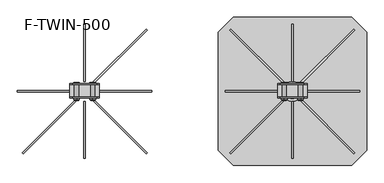
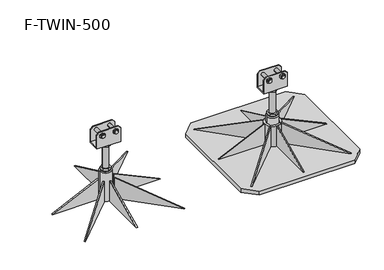
"""IFC4 building model written with IfcOpenShell, lengths in millimetres: beam geometry, F-TWIN-500."""

from ifc_helpers import new_model, si_unit, point, frame, frame_2d, origin, origin_with_axes, place, context, project, spatial, polyline, circle_curve, trimmed, segment, composite_curve, outline, extrude, source, transform, mapped, element, save
from ifc_brep_helpers import plane_surface, cylinder_surface, revolved_surface, advanced_brep


def f_twin_500_925610f8(model_context):
    return source(origin(), model_context, "Body", "SolidModel", [
        advanced_brep(
        [(750.0, 22.7708218, 319.0), (740.0, 22.7708218, 329.0), (660.0, 22.7708218, 329.0), (650.0, 22.7708218, 319.0), (650.0, 22.7708218, 265.0), (750.0, 22.7708218, 265.0), (720.5, 22.7708218, 312.0), (734.5, 22.7708218, 312.0), (665.5, 22.7708218, 312.0), (679.5, 22.7708218, 312.0), (750.0, 25.7708218, 319.0), (740.0, 25.7708218, 329.0), (660.0, 25.7708218, 329.0), (650.0, 25.7708218, 319.0), (650.0, -18.7291782, 319.0), (660.0, -18.7291782, 329.0), (740.0, -18.7291782, 329.0), (750.0, -18.7291782, 319.0), (750.0, -18.7291782, 265.0), (650.0, -18.7291782, 265.0), (734.5, -18.7291782, 312.0), (720.5, -18.7291782, 312.0), (679.5, -18.7291782, 312.0), (665.5, -18.7291782, 312.0), (740.0, -21.7291782, 329.0), (750.0, -21.7291782, 319.0), (660.0, -21.7291782, 329.0), (650.0, -21.7291782, 319.0), (750.0, 25.7708218, 258.0), (750.0, -21.7291782, 258.0), (650.0, -21.7291782, 258.0), (650.0, 25.7708218, 258.0), (727.5, 30.6740688, 323.062665), (737.0805489, 30.6740688, 317.5313325), (737.0805489, 30.6740688, 306.4686675), (727.5, 30.6740688, 300.937335), (717.9194511, 30.6740688, 306.4686675), (717.9194511, 30.6740688, 317.5313325), (672.5, 30.6740688, 323.062665), (682.0805489, 30.6740688, 317.5313325), (682.0805489, 30.6740688, 306.4686675), (672.5, 30.6740688, 300.937335), (662.9194511, 30.6740688, 306.4686675), (662.9194511, 30.6740688, 317.5313325), (727.5, 25.6740688, 323.062665), (737.0805489, 25.7708218, 317.5313325), (737.0805489, 25.7708218, 306.4686675), (727.5, 25.7708218, 300.937335), (717.9194511, 25.7708218, 306.4686675), (717.9194511, 25.7708218, 317.5313325), (672.5, 25.6740688, 323.062665), (682.0805489, 25.7708218, 317.5313325), (682.0805489, 25.7708218, 306.4686675), (672.5, 25.7708218, 300.937335), (662.9194511, 25.7708218, 306.4686675), (662.9194511, 25.7708218, 317.5313325), (717.9194511, -26.7291782, 317.5313325), (717.9194511, -26.7291782, 306.4686675), (727.5, -26.7291782, 300.937335), (737.0805489, -26.7291782, 306.4686675), (737.0805489, -26.7291782, 317.5313325), (727.5, -26.7291782, 323.062665), (720.5, -26.7291782, 312.0), (734.5, -26.7291782, 312.0), (717.9194511, -21.7291782, 317.5313325), (717.9194511, -21.7291782, 306.4686675), (727.5, -21.7291782, 300.937335), (737.0805489, -21.7291782, 306.4686675), (737.0805489, -21.7291782, 317.5313325), (727.5, -21.7291782, 323.062665), (662.9194511, -26.7291782, 317.5313325), (662.9194511, -26.7291782, 306.4686675), (672.5, -26.7291782, 300.937335), (682.0805489, -26.7291782, 306.4686675), (682.0805489, -26.7291782, 317.5313325), (672.5, -26.7291782, 323.062665), (665.5, -26.7291782, 312.0), (679.5, -26.7291782, 312.0), (662.9194511, -21.7291782, 317.5313325), (662.9194511, -21.7291782, 306.4686675), (672.5, -21.7291782, 300.937335), (682.0805489, -21.7291782, 306.4686675), (682.0805489, -21.7291782, 317.5313325), (672.5, -21.7291782, 323.062665), (720.5, -30.6740688, 312.0), (734.5, -30.6740688, 312.0), (665.5, -30.6740688, 312.0), (679.5, -30.6740688, 312.0)],
        [
            (0, 1),
            (1, 2),
            (2, 3),
            (3, 4),
            (4, 5),
            (5, 0),
            (6, 7, circle_curve(frame((727.5, 22.7708218, 312.0), z_axis=(0.0, 1.0, 0.0), x_axis=(-1.0, 0.0, 0.0)), 7.0)),
            (7, 6, circle_curve(frame((727.5, 22.7708218, 312.0), z_axis=(0.0, 1.0, 0.0), x_axis=(-1.0, 0.0, 0.0)), 7.0)),
            (8, 9, circle_curve(frame((672.5, 22.7708218, 312.0), z_axis=(0.0, 1.0, 0.0), x_axis=(-1.0, 0.0, 0.0)), 7.0)),
            (9, 8, circle_curve(frame((672.5, 22.7708218, 312.0), z_axis=(0.0, 1.0, 0.0), x_axis=(-1.0, 0.0, 0.0)), 7.0)),
            (10, 11),
            (11, 1),
            (0, 10),
            (11, 12),
            (12, 2),
            (12, 13),
            (13, 3),
            (14, 15),
            (15, 16),
            (16, 17),
            (17, 18),
            (18, 19),
            (19, 14),
            (20, 21, circle_curve(frame((727.5, -18.7291782, 312.0), z_axis=(0.0, -1.0, 0.0), x_axis=(-1.0, 0.0, 0.0)), 7.0)),
            (21, 20, circle_curve(frame((727.5, -18.7291782, 312.0), z_axis=(0.0, -1.0, 0.0), x_axis=(-1.0, 0.0, 0.0)), 7.0)),
            (22, 23, circle_curve(frame((672.5, -18.7291782, 312.0), z_axis=(0.0, -1.0, 0.0), x_axis=(-1.0, 0.0, 0.0)), 7.0)),
            (23, 22, circle_curve(frame((672.5, -18.7291782, 312.0), z_axis=(0.0, -1.0, 0.0), x_axis=(-1.0, 0.0, 0.0)), 7.0)),
            (16, 24),
            (24, 25),
            (25, 17),
            (15, 26),
            (26, 24),
            (14, 27),
            (27, 26),
            (18, 5),
            (4, 19),
            (28, 29),
            (29, 30),
            (30, 31),
            (31, 28),
            (32, 33),
            (33, 34),
            (34, 35),
            (35, 36),
            (36, 37),
            (37, 32),
            (38, 39),
            (39, 40),
            (40, 41),
            (41, 42),
            (42, 43),
            (43, 38),
            (32, 44),
            (44, 45),
            (45, 33),
            (45, 46),
            (46, 34),
            (46, 47),
            (47, 35),
            (47, 48),
            (48, 36),
            (48, 49),
            (49, 37),
            (49, 44),
            (38, 50),
            (50, 51),
            (51, 39),
            (51, 52),
            (52, 40),
            (52, 53),
            (53, 41),
            (53, 54),
            (54, 42),
            (54, 55),
            (55, 43),
            (55, 50),
            (56, 57),
            (57, 58),
            (58, 59),
            (59, 60),
            (60, 61),
            (61, 56),
            (62, 63, circle_curve(frame((727.5, -26.7291782, 312.0), z_axis=(0.0, 1.0, 0.0), x_axis=(-1.0, 0.0, 0.0)), 7.0)),
            (63, 62, circle_curve(frame((727.5, -26.7291782, 312.0), z_axis=(0.0, 1.0, 0.0), x_axis=(-1.0, 0.0, 0.0)), 7.0)),
            (56, 64),
            (64, 65),
            (65, 57),
            (65, 66),
            (66, 58),
            (66, 67),
            (67, 59),
            (67, 68),
            (68, 60),
            (68, 69),
            (69, 61),
            (69, 64),
            (70, 71),
            (71, 72),
            (72, 73),
            (73, 74),
            (74, 75),
            (75, 70),
            (76, 77, circle_curve(frame((672.5, -26.7291782, 312.0), z_axis=(0.0, 1.0, 0.0), x_axis=(-1.0, 0.0, 0.0)), 7.0)),
            (77, 76, circle_curve(frame((672.5, -26.7291782, 312.0), z_axis=(0.0, 1.0, 0.0), x_axis=(-1.0, 0.0, 0.0)), 7.0)),
            (70, 78),
            (78, 79),
            (79, 71),
            (79, 80),
            (80, 72),
            (80, 81),
            (81, 73),
            (81, 82),
            (82, 74),
            (82, 83),
            (83, 75),
            (83, 78),
            (31, 13),
            (10, 28),
            (30, 27),
            (29, 25),
            (84, 85, circle_curve(frame((727.5, -30.6740688, 312.0), z_axis=(0.0, -1.0, 0.0), x_axis=(-1.0, 0.0, 0.0)), 7.0)),
            (85, 84, circle_curve(frame((727.5, -30.6740688, 312.0), z_axis=(0.0, -1.0, 0.0), x_axis=(-1.0, 0.0, 0.0)), 7.0)),
            (86, 87, circle_curve(frame((672.5, -30.6740688, 312.0), z_axis=(0.0, -1.0, 0.0), x_axis=(-1.0, 0.0, 0.0)), 7.0)),
            (87, 86, circle_curve(frame((672.5, -30.6740688, 312.0), z_axis=(0.0, -1.0, 0.0), x_axis=(-1.0, 0.0, 0.0)), 7.0)),
            (85, 63),
            (62, 84),
            (20, 7),
            (6, 21),
            (87, 77),
            (76, 86),
            (22, 9),
            (8, 23),
        ],
        [
            plane_surface(frame((740.0, 22.7708218, 329.0), z_axis=(0.0, -1.0, 0.0), x_axis=(-0.7071067811865458, 0.0, 0.7071067811865493))),
            plane_surface(frame((750.0, 22.7708218, 319.0), z_axis=(0.7071067811865493, 0.0, 0.7071067811865458), x_axis=(0.0, 1.0, 0.0))),
            plane_surface(frame((740.0, 22.7708218, 329.0), z_axis=(0.0, 0.0, 1.0), x_axis=(0.0, 1.0, 0.0))),
            plane_surface(frame((660.0, 22.7708218, 329.0), z_axis=(-0.7071067811865467, 0.0, 0.7071067811865485), x_axis=(0.0, 1.0, 0.0))),
            plane_surface(frame((650.0, -18.7291782, 319.0), z_axis=(0.0, 1.0, 0.0), x_axis=(0.0, 0.0, 1.0))),
            plane_surface(frame((750.0, -21.7291782, 319.0), z_axis=(0.7071067811865493, 0.0, 0.7071067811865457), x_axis=(0.0, 1.0, 0.0))),
            plane_surface(frame((740.0, -21.7291782, 329.0), z_axis=(0.0, 0.0, 1.0), x_axis=(0.0, 1.0, 0.0))),
            plane_surface(frame((660.0, -21.7291782, 329.0), z_axis=(-0.707106781186547, 0.0, 0.7071067811865481), x_axis=(0.0, 1.0, 0.0))),
            plane_surface(frame((700.0, 25.7708218, 265.0), z_axis=(0.0, 0.0, 1.0), x_axis=(-1.0, 0.0, 0.0))),
            plane_surface(frame((700.0, 25.7708218, 258.0), z_axis=(0.0, 0.0, -1.0), x_axis=(1.0, 0.0, 0.0))),
            plane_surface(frame((727.5, 30.6740688, 323.062665), z_axis=(0.0, 1.0, 0.0), x_axis=(0.866025403784437, 0.0, -0.5000000000000028))),
            plane_surface(frame((727.5, 30.6740688, 323.062665), z_axis=(0.5000000000000028, 0.0, 0.866025403784437), x_axis=(0.0, -1.0, 0.0))),
            plane_surface(frame((737.0805489, 30.6740688, 317.5313325), z_axis=(1.0, 0.0, 0.0), x_axis=(0.0, -1.0, 0.0))),
            plane_surface(frame((737.0805489, 30.6740688, 306.4686675), z_axis=(0.4999999999999971, 0.0, -0.8660254037844404), x_axis=(0.0, -1.0, 0.0))),
            plane_surface(frame((727.5, 30.6740688, 300.937335), z_axis=(-0.5000000000000031, 0.0, -0.8660254037844369), x_axis=(0.0, -1.0, 0.0))),
            plane_surface(frame((717.9194511, 30.6740688, 306.4686675), z_axis=(-1.0, 0.0, 0.0), x_axis=(0.0, -1.0, 0.0))),
            plane_surface(frame((717.9194511, 30.6740688, 317.5313325), z_axis=(-0.4999999999999962, 0.0, 0.8660254037844408), x_axis=(0.0, -1.0, 0.0))),
            plane_surface(frame((672.5, 30.6740688, 323.062665), z_axis=(0.5000000000000028, 0.0, 0.866025403784437), x_axis=(0.0, -1.0, 0.0))),
            plane_surface(frame((682.0805489, 30.6740688, 317.5313325), z_axis=(1.0, 0.0, 0.0), x_axis=(0.0, -1.0, 0.0))),
            plane_surface(frame((682.0805489, 30.6740688, 306.4686675), z_axis=(0.4999999999999972, 0.0, -0.8660254037844403), x_axis=(0.0, -1.0, 0.0))),
            plane_surface(frame((672.5, 30.6740688, 300.937335), z_axis=(-0.5000000000000029, 0.0, -0.866025403784437), x_axis=(0.0, -1.0, 0.0))),
            plane_surface(frame((662.9194511, 30.6740688, 306.4686675), z_axis=(-1.0, 0.0, 0.0), x_axis=(0.0, -1.0, 0.0))),
            plane_surface(frame((662.9194511, 30.6740688, 317.5313325), z_axis=(-0.49999999999999617, 0.0, 0.8660254037844409), x_axis=(0.0, -1.0, 0.0))),
            plane_surface(frame((717.9194511, -26.7291782, 317.5313325), z_axis=(0.0, -1.0, 0.0), x_axis=(0.0, 0.0, -1.0))),
            plane_surface(frame((717.9194511, -26.7291782, 317.5313325), z_axis=(-1.0, 0.0, 0.0), x_axis=(0.0, 1.0, 0.0))),
            plane_surface(frame((717.9194511, -26.7291782, 306.4686675), z_axis=(-0.500000000000003, 0.0, -0.866025403784437), x_axis=(0.0, 1.0, 0.0))),
            plane_surface(frame((727.5, -26.7291782, 300.937335), z_axis=(0.4999999999999972, 0.0, -0.8660254037844403), x_axis=(0.0, 1.0, 0.0))),
            plane_surface(frame((737.0805489, -26.7291782, 306.4686675), z_axis=(1.0, 0.0, 0.0), x_axis=(0.0, 1.0, 0.0))),
            plane_surface(frame((737.0805489, -26.7291782, 317.5313325), z_axis=(0.5000000000000038, 0.0, 0.8660254037844366), x_axis=(0.0, 1.0, 0.0))),
            plane_surface(frame((727.5, -26.7291782, 323.062665), z_axis=(-0.4999999999999978, 0.0, 0.8660254037844399), x_axis=(0.0, 1.0, 0.0))),
            plane_surface(frame((662.9194511, -26.7291782, 317.5313325), z_axis=(0.0, -1.0, 0.0), x_axis=(0.0, 0.0, -1.0))),
            plane_surface(frame((662.9194511, -26.7291782, 317.5313325), z_axis=(-1.0, 0.0, 0.0), x_axis=(0.0, 1.0, 0.0))),
            plane_surface(frame((662.9194511, -26.7291782, 306.4686675), z_axis=(-0.5000000000000031, 0.0, -0.8660254037844368), x_axis=(0.0, 1.0, 0.0))),
            plane_surface(frame((672.5, -26.7291782, 300.937335), z_axis=(0.49999999999999717, 0.0, -0.8660254037844404), x_axis=(0.0, 1.0, 0.0))),
            plane_surface(frame((682.0805489, -26.7291782, 306.4686675), z_axis=(1.0, 0.0, 0.0), x_axis=(0.0, 1.0, 0.0))),
            plane_surface(frame((682.0805489, -26.7291782, 317.5313325), z_axis=(0.5000000000000036, 0.0, 0.8660254037844367), x_axis=(0.0, 1.0, 0.0))),
            plane_surface(frame((672.5, -26.7291782, 323.062665), z_axis=(-0.4999999999999981, 0.0, 0.8660254037844398), x_axis=(0.0, 1.0, 0.0))),
            plane_surface(frame((750.0, 25.7708218, 265.0), z_axis=(0.0, 1.0, 0.0), x_axis=(0.0, 0.0, -1.0))),
            plane_surface(frame((650.0, 25.7708218, 265.0), z_axis=(-1.0, 0.0, 0.0), x_axis=(0.0, 0.0, -1.0))),
            plane_surface(frame((650.0, -21.7291782, 265.0), z_axis=(0.0, -1.0, 0.0), x_axis=(0.0, 0.0, -1.0))),
            plane_surface(frame((750.0, -21.7291782, 265.0), z_axis=(1.0, 0.0, 0.0), x_axis=(0.0, 0.0, -1.0))),
            plane_surface(frame((720.5, -30.6740688, 312.0), z_axis=(0.0, -1.0, 0.0), x_axis=(0.0, 0.0, -1.0))),
            cylinder_surface(frame((727.5, -30.6740688, 312.0), z_axis=(0.0, 1.0, 0.0), x_axis=(-1.0, 0.0, 0.0)), 7.0),
            cylinder_surface(frame((672.5, 25.6740688, 312.0), z_axis=(0.0, 1.0, 0.0), x_axis=(-1.0, 0.0, 0.0)), 7.0),
        ],
        [
            (0, [[1, 2, 3, 4, 5, 6], [7, 8], [9, 10]]),
            (1, [[11, 12, -1, 13]]),
            (2, [[14, 15, -2, -12]]),
            (3, [[16, 17, -3, -15]]),
            (4, [[18, 19, 20, 21, 22, 23], [24, 25], [26, 27]]),
            (5, [[-20, 28, 29, 30]]),
            (6, [[-19, 31, 32, -28]]),
            (7, [[-18, 33, 34, -31]]),
            (8, [[-22, 35, -5, 36]]),
            (9, [[37, 38, 39, 40]]),
            (10, [[41, 42, 43, 44, 45, 46]]),
            (10, [[47, 48, 49, 50, 51, 52]]),
            (11, [[-41, 53, 54, 55]]),
            (12, [[-42, -55, 56, 57]]),
            (13, [[-43, -57, 58, 59]]),
            (14, [[-44, -59, 60, 61]]),
            (15, [[-45, -61, 62, 63]]),
            (16, [[-46, -63, 64, -53]]),
            (17, [[-47, 65, 66, 67]]),
            (18, [[-48, -67, 68, 69]]),
            (19, [[-49, -69, 70, 71]]),
            (20, [[-50, -71, 72, 73]]),
            (21, [[-51, -73, 74, 75]]),
            (22, [[-52, -75, 76, -65]]),
            (23, [[77, 78, 79, 80, 81, 82], [83, 84]]),
            (24, [[-77, 85, 86, 87]]),
            (25, [[-78, -87, 88, 89]]),
            (26, [[-79, -89, 90, 91]]),
            (27, [[-80, -91, 92, 93]]),
            (28, [[-81, -93, 94, 95]]),
            (29, [[-82, -95, 96, -85]]),
            (30, [[97, 98, 99, 100, 101, 102], [103, 104]]),
            (31, [[-97, 105, 106, 107]]),
            (32, [[-98, -107, 108, 109]]),
            (33, [[-99, -109, 110, 111]]),
            (34, [[-100, -111, 112, 113]]),
            (35, [[-101, -113, 114, 115]]),
            (36, [[-102, -115, 116, -105]]),
            (37, [[-40, 117, -16, -14, -11, 118], [-54, -64, -62, -60, -58, -56], [-66, -76, -74, -72, -70, -68]]),
            (38, [[-117, -39, 119, -33, -23, -36, -4, -17]]),
            (39, [[-38, 120, -29, -32, -34, -119], [-86, -96, -94, -92, -90, -88], [-106, -116, -114, -112, -110, -108]]),
            (40, [[-37, -118, -13, -6, -35, -21, -30, -120]]),
            (41, [[121, 122]]),
            (41, [[123, 124]]),
            (42, [[-122, 125, -83, 126]]),
            (42, [[-24, 127, -7, 128]]),
            (42, [[-121, -126, -84, -125]]),
            (42, [[-25, -128, -8, -127]]),
            (43, [[-124, 129, -103, 130]]),
            (43, [[-26, 131, -9, 132]]),
            (43, [[-123, -130, -104, -129]]),
            (43, [[-27, -132, -10, -131]]),
        ],
    ),
        advanced_brep(
        [(688.0, 2.0208218, 248.0), (688.0, 2.0208218, 150.0), (712.0, 2.0208218, 150.0), (712.0, 2.0208218, 248.0), (682.6794919, 12.0208218, 258.0), (682.6794919, -7.9791782, 258.0), (700.0, -17.9791782, 258.0), (717.3205081, -7.9791782, 258.0), (717.3205081, 12.0208218, 258.0), (700.0, 22.0208218, 258.0), (682.6794919, 12.0208218, 248.0), (700.0, 22.0208218, 248.0), (717.3205081, 12.0208218, 248.0), (717.3205081, -7.9791782, 248.0), (700.0, -17.9791782, 248.0), (682.6794919, -7.9791782, 248.0), (682.6794919, 12.0208218, 150.0), (682.6794919, -7.9791782, 150.0), (700.0, -17.9791782, 150.0), (717.3205081, -7.9791782, 150.0), (717.3205081, 12.0208218, 150.0), (700.0, 22.0208218, 150.0), (682.6794919, 12.0208218, 140.0), (682.6794919, 2.0208218, 140.0), (682.6794919, -7.9791782, 140.0), (700.0, -17.9791782, 140.0), (717.3205081, -7.9791782, 140.0), (717.3205081, 2.0208218, 140.0), (717.3205081, 12.0208218, 140.0), (700.0, 22.0208218, 140.0), (680.0, 2.0208218, 140.0), (720.0, 2.0208218, 140.0), (724.0, 2.0208218, 136.0), (676.0, 2.0208218, 136.0), (724.0, 2.0208218, 10.0), (676.0, 2.0208218, 10.0), (700.0, 2.0208218, 10.0)],
        [
            (0, 1),
            (1, 2, circle_curve(frame((700.0, 2.0208218, 150.0), z_axis=(0.0, 0.0, 1.0), x_axis=(1.0, 0.0, 0.0)), 12.0)),
            (2, 3),
            (3, 0, circle_curve(frame((700.0, 2.0208218, 248.0), z_axis=(0.0, 0.0, -1.0), x_axis=(1.0, 0.0, 0.0)), 12.0)),
            (0, 3, circle_curve(frame((700.0, 2.0208218, 248.0), z_axis=(0.0, 0.0, -1.0), x_axis=(1.0, 0.0, 0.0)), 12.0)),
            (2, 1, circle_curve(frame((700.0, 2.0208218, 150.0), z_axis=(0.0, 0.0, 1.0), x_axis=(1.0, 0.0, 0.0)), 12.0)),
            (4, 5),
            (5, 6),
            (6, 7),
            (7, 8),
            (8, 9),
            (9, 4),
            (10, 11),
            (11, 12),
            (12, 13),
            (13, 14),
            (14, 15),
            (15, 10),
            (4, 10),
            (15, 5),
            (14, 6),
            (13, 7),
            (12, 8),
            (11, 9),
            (16, 17),
            (17, 18),
            (18, 19),
            (19, 20),
            (20, 21),
            (21, 16),
            (16, 22),
            (22, 23),
            (23, 24),
            (24, 17),
            (24, 25),
            (25, 18),
            (25, 26),
            (26, 19),
            (26, 27),
            (27, 28),
            (28, 20),
            (28, 29),
            (29, 21),
            (29, 22),
            (22, 30, circle_curve(frame((700.0, 2.0208218, 140.0), z_axis=(0.0, 0.0, 1.0), x_axis=(-1.0, 0.0, 0.0)), 20.0)),
            (30, 23),
            (29, 22, circle_curve(frame((700.0, 2.0208218, 140.0), z_axis=(0.0, 0.0, 1.0), x_axis=(-1.0, 0.0, 0.0)), 20.0)),
            (28, 29, circle_curve(frame((700.0, 2.0208218, 140.0), z_axis=(0.0, 0.0, 1.0), x_axis=(-1.0, 0.0, 0.0)), 20.0)),
            (31, 28, circle_curve(frame((700.0, 2.0208218, 140.0), z_axis=(0.0, 0.0, 1.0), x_axis=(-1.0, 0.0, 0.0)), 20.0)),
            (27, 31),
            (26, 31, circle_curve(frame((700.0, 2.0208218, 140.0), z_axis=(0.0, 0.0, 1.0), x_axis=(-1.0, 0.0, 0.0)), 20.0)),
            (25, 26, circle_curve(frame((700.0, 2.0208218, 140.0), z_axis=(0.0, 0.0, 1.0), x_axis=(-1.0, 0.0, 0.0)), 20.0)),
            (24, 25, circle_curve(frame((700.0, 2.0208218, 140.0), z_axis=(0.0, 0.0, 1.0), x_axis=(-1.0, 0.0, 0.0)), 20.0)),
            (30, 24, circle_curve(frame((700.0, 2.0208218, 140.0), z_axis=(0.0, 0.0, 1.0), x_axis=(-1.0, 0.0, 0.0)), 20.0)),
            (32, 33, circle_curve(frame((700.0, 2.0208218, 136.0), z_axis=(0.0, 0.0, 1.0), x_axis=(-1.0, 0.0, 0.0)), 24.0)),
            (33, 30),
            (31, 32),
            (33, 32, circle_curve(frame((700.0, 2.0208218, 136.0), z_axis=(0.0, 0.0, 1.0), x_axis=(-1.0, 0.0, 0.0)), 24.0)),
            (32, 34),
            (34, 35, circle_curve(frame((700.0, 2.0208218, 10.0), z_axis=(0.0, 0.0, 1.0), x_axis=(-1.0, 0.0, 0.0)), 24.0)),
            (35, 33),
            (35, 34, circle_curve(frame((700.0, 2.0208218, 10.0), z_axis=(0.0, 0.0, 1.0), x_axis=(-1.0, 0.0, 0.0)), 24.0)),
            (34, 36),
            (36, 35),
        ],
        [
            cylinder_surface(frame((700.0, 2.0208218, 150.0), z_axis=(0.0, 0.0, 1.0), x_axis=(1.0, 0.0, 0.0)), 12.0),
            plane_surface(frame((682.6794919, 12.0208218, 258.0), z_axis=(0.0, 0.0, 1.0), x_axis=(0.0, -1.0, 0.0))),
            plane_surface(frame((682.6794919, 12.0208218, 248.0), z_axis=(0.0, 0.0, -1.0), x_axis=(0.0, 1.0, 0.0))),
            plane_surface(frame((682.6794919, 12.0208218, 258.0), z_axis=(-1.0, 0.0, 0.0), x_axis=(0.0, 0.0, -1.0))),
            plane_surface(frame((682.6794919, -7.9791782, 258.0), z_axis=(-0.5000000000000034, -0.8660254037844367, 0.0), x_axis=(0.0, 0.0, -1.0))),
            plane_surface(frame((700.0, -17.9791782, 258.0), z_axis=(0.4999999999999958, -0.8660254037844412, 0.0), x_axis=(0.0, 0.0, -1.0))),
            plane_surface(frame((717.3205081, -7.9791782, 258.0), z_axis=(1.0, 0.0, 0.0), x_axis=(0.0, 0.0, -1.0))),
            plane_surface(frame((717.3205081, 12.0208218, 258.0), z_axis=(0.5000000000000063, 0.866025403784435, 0.0), x_axis=(0.0, 0.0, -1.0))),
            plane_surface(frame((700.0, 22.0208218, 258.0), z_axis=(-0.4999999999999982, 0.8660254037844398, 0.0), x_axis=(0.0, 0.0, -1.0))),
            plane_surface(frame((682.6794919, 12.0208218, 150.0), z_axis=(0.0, 0.0, 1.0), x_axis=(0.0, -1.0, 0.0))),
            plane_surface(frame((682.6794919, 12.0208218, 150.0), z_axis=(-1.0, 0.0, 0.0), x_axis=(0.0, 0.0, -1.0))),
            plane_surface(frame((682.6794919, -7.9791782, 150.0), z_axis=(-0.5000000000000034, -0.8660254037844367, 0.0), x_axis=(0.0, 0.0, -1.0))),
            plane_surface(frame((700.0, -17.9791782, 150.0), z_axis=(0.49999999999999545, -0.8660254037844413, 0.0), x_axis=(0.0, 0.0, -1.0))),
            plane_surface(frame((717.3205081, -7.9791782, 150.0), z_axis=(1.0, 0.0, 0.0), x_axis=(0.0, 0.0, -1.0))),
            plane_surface(frame((717.3205081, 12.0208218, 150.0), z_axis=(0.5000000000000064, 0.866025403784435, 0.0), x_axis=(0.0, 0.0, -1.0))),
            plane_surface(frame((700.0, 22.0208218, 150.0), z_axis=(-0.49999999999999845, 0.8660254037844396, 0.0), x_axis=(0.0, 0.0, -1.0))),
            plane_surface(frame((700.0, 2.0208218, 140.0), z_axis=(0.0, 0.0, 1.0), x_axis=(-1.0, 0.0, 0.0))),
            revolved_surface(polyline([(680.0, 2.0208218, 140.0), (676.0, 2.0208218, 136.0)]), (700.0, 2.0208218, 165.0), (0.0, 0.0, -1.0)),
            cylinder_surface(frame((700.0, 2.0208218, 165.0), z_axis=(0.0, 0.0, -1.0), x_axis=(-1.0, 0.0, 0.0)), 24.0),
            plane_surface(frame((700.0, 2.0208218, 10.0), z_axis=(0.0, 0.0, -1.0), x_axis=(-1.0, 0.0, 0.0))),
        ],
        [
            (0, [[1, 2, 3, 4]]),
            (0, [[-1, 5, -3, 6]]),
            (1, [[7, 8, 9, 10, 11, 12]]),
            (2, [[13, 14, 15, 16, 17, 18], [-4, -5]]),
            (3, [[-7, 19, -18, 20]]),
            (4, [[-8, -20, -17, 21]]),
            (5, [[-9, -21, -16, 22]]),
            (6, [[-10, -22, -15, 23]]),
            (7, [[-11, -23, -14, 24]]),
            (8, [[-12, -24, -13, -19]]),
            (9, [[25, 26, 27, 28, 29, 30], [-2, -6]]),
            (10, [[-25, 31, 32, 33, 34]]),
            (11, [[-26, -34, 35, 36]]),
            (12, [[-27, -36, 37, 38]]),
            (13, [[-28, -38, 39, 40, 41]]),
            (14, [[-29, -41, 42, 43]]),
            (15, [[-30, -43, 44, -31]]),
            (16, [[45, 46, -32]]),
            (16, [[47, -44]]),
            (16, [[48, -42]]),
            (16, [[49, -40, 50]]),
            (16, [[51, -50, -39]]),
            (16, [[52, -37]]),
            (16, [[53, -35]]),
            (16, [[54, -33, -46]]),
            (17, [[55, 56, -45, -47, -48, -49, 57]]),
            (17, [[-56, 58, -57, -51, -52, -53, -54]]),
            (18, [[-55, 59, 60, 61]]),
            (18, [[-58, -61, 62, -59]]),
            (19, [[-60, 63, 64]]),
            (19, [[-62, -64, -63]]),
        ],
    ),
        advanced_brep(
        [(50.0, 22.7708218, 319.0), (40.0, 22.7708218, 329.0), (-40.0, 22.7708218, 329.0), (-50.0, 22.7708218, 319.0), (-50.0, 22.7708218, 265.0), (50.0, 22.7708218, 265.0), (20.5, 22.7708218, 312.0), (34.5, 22.7708218, 312.0), (-34.5, 22.7708218, 312.0), (-20.5, 22.7708218, 312.0), (50.0, 25.7708218, 319.0), (40.0, 25.7708218, 329.0), (-40.0, 25.7708218, 329.0), (-50.0, 25.7708218, 319.0), (-50.0, -18.7291782, 319.0), (-40.0, -18.7291782, 329.0), (40.0, -18.7291782, 329.0), (50.0, -18.7291782, 319.0), (50.0, -18.7291782, 265.0), (-50.0, -18.7291782, 265.0), (34.5, -18.7291782, 312.0), (20.5, -18.7291782, 312.0), (-20.5, -18.7291782, 312.0), (-34.5, -18.7291782, 312.0), (40.0, -21.7291782, 329.0), (50.0, -21.7291782, 319.0), (-40.0, -21.7291782, 329.0), (-50.0, -21.7291782, 319.0), (50.0, 25.7708218, 258.0), (50.0, -21.7291782, 258.0), (-50.0, -21.7291782, 258.0), (-50.0, 25.7708218, 258.0), (27.5, 30.6740688, 323.062665), (37.0805489, 30.6740688, 317.5313325), (37.0805489, 30.6740688, 306.4686675), (27.5, 30.6740688, 300.937335), (17.9194511, 30.6740688, 306.4686675), (17.9194511, 30.6740688, 317.5313325), (-27.5, 30.6740688, 323.062665), (-17.9194511, 30.6740688, 317.5313325), (-17.9194511, 30.6740688, 306.4686675), (-27.5, 30.6740688, 300.937335), (-37.0805489, 30.6740688, 306.4686675), (-37.0805489, 30.6740688, 317.5313325), (27.5, 25.6740688, 323.062665), (37.0805489, 25.7708218, 317.5313325), (37.0805489, 25.7708218, 306.4686675), (27.5, 25.7708218, 300.937335), (17.9194511, 25.7708218, 306.4686675), (17.9194511, 25.7708218, 317.5313325), (-27.5, 25.6740688, 323.062665), (-17.9194511, 25.7708218, 317.5313325), (-17.9194511, 25.7708218, 306.4686675), (-27.5, 25.7708218, 300.937335), (-37.0805489, 25.7708218, 306.4686675), (-37.0805489, 25.7708218, 317.5313325), (17.9194511, -26.7291782, 317.5313325), (17.9194511, -26.7291782, 306.4686675), (27.5, -26.7291782, 300.937335), (37.0805489, -26.7291782, 306.4686675), (37.0805489, -26.7291782, 317.5313325), (27.5, -26.7291782, 323.062665), (20.5, -26.7291782, 312.0), (34.5, -26.7291782, 312.0), (17.9194511, -21.7291782, 317.5313325), (17.9194511, -21.7291782, 306.4686675), (27.5, -21.7291782, 300.937335), (37.0805489, -21.7291782, 306.4686675), (37.0805489, -21.7291782, 317.5313325), (27.5, -21.7291782, 323.062665), (-37.0805489, -26.7291782, 317.5313325), (-37.0805489, -26.7291782, 306.4686675), (-27.5, -26.7291782, 300.937335), (-17.9194511, -26.7291782, 306.4686675), (-17.9194511, -26.7291782, 317.5313325), (-27.5, -26.7291782, 323.062665), (-34.5, -26.7291782, 312.0), (-20.5, -26.7291782, 312.0), (-37.0805489, -21.7291782, 317.5313325), (-37.0805489, -21.7291782, 306.4686675), (-27.5, -21.7291782, 300.937335), (-17.9194511, -21.7291782, 306.4686675), (-17.9194511, -21.7291782, 317.5313325), (-27.5, -21.7291782, 323.062665), (20.5, -30.6740688, 312.0), (34.5, -30.6740688, 312.0), (-34.5, -30.6740688, 312.0), (-20.5, -30.6740688, 312.0)],
        [
            (0, 1),
            (1, 2),
            (2, 3),
            (3, 4),
            (4, 5),
            (5, 0),
            (6, 7, circle_curve(frame((27.5, 22.7708218, 312.0), z_axis=(0.0, 1.0, 0.0), x_axis=(-1.0, 0.0, 0.0)), 7.0)),
            (7, 6, circle_curve(frame((27.5, 22.7708218, 312.0), z_axis=(0.0, 1.0, 0.0), x_axis=(-1.0, 0.0, 0.0)), 7.0)),
            (8, 9, circle_curve(frame((-27.5, 22.7708218, 312.0), z_axis=(0.0, 1.0, 0.0), x_axis=(-1.0, 0.0, 0.0)), 7.0)),
            (9, 8, circle_curve(frame((-27.5, 22.7708218, 312.0), z_axis=(0.0, 1.0, 0.0), x_axis=(-1.0, 0.0, 0.0)), 7.0)),
            (10, 11),
            (11, 1),
            (0, 10),
            (11, 12),
            (12, 2),
            (12, 13),
            (13, 3),
            (14, 15),
            (15, 16),
            (16, 17),
            (17, 18),
            (18, 19),
            (19, 14),
            (20, 21, circle_curve(frame((27.5, -18.7291782, 312.0), z_axis=(0.0, -1.0, 0.0), x_axis=(-1.0, 0.0, 0.0)), 7.0)),
            (21, 20, circle_curve(frame((27.5, -18.7291782, 312.0), z_axis=(0.0, -1.0, 0.0), x_axis=(-1.0, 0.0, 0.0)), 7.0)),
            (22, 23, circle_curve(frame((-27.5, -18.7291782, 312.0), z_axis=(0.0, -1.0, 0.0), x_axis=(-1.0, 0.0, 0.0)), 7.0)),
            (23, 22, circle_curve(frame((-27.5, -18.7291782, 312.0), z_axis=(0.0, -1.0, 0.0), x_axis=(-1.0, 0.0, 0.0)), 7.0)),
            (16, 24),
            (24, 25),
            (25, 17),
            (15, 26),
            (26, 24),
            (14, 27),
            (27, 26),
            (18, 5),
            (4, 19),
            (28, 29),
            (29, 30),
            (30, 31),
            (31, 28),
            (32, 33),
            (33, 34),
            (34, 35),
            (35, 36),
            (36, 37),
            (37, 32),
            (38, 39),
            (39, 40),
            (40, 41),
            (41, 42),
            (42, 43),
            (43, 38),
            (32, 44),
            (44, 45),
            (45, 33),
            (45, 46),
            (46, 34),
            (46, 47),
            (47, 35),
            (47, 48),
            (48, 36),
            (48, 49),
            (49, 37),
            (49, 44),
            (38, 50),
            (50, 51),
            (51, 39),
            (51, 52),
            (52, 40),
            (52, 53),
            (53, 41),
            (53, 54),
            (54, 42),
            (54, 55),
            (55, 43),
            (55, 50),
            (56, 57),
            (57, 58),
            (58, 59),
            (59, 60),
            (60, 61),
            (61, 56),
            (62, 63, circle_curve(frame((27.5, -26.7291782, 312.0), z_axis=(0.0, 1.0, 0.0), x_axis=(-1.0, 0.0, 0.0)), 7.0)),
            (63, 62, circle_curve(frame((27.5, -26.7291782, 312.0), z_axis=(0.0, 1.0, 0.0), x_axis=(-1.0, 0.0, 0.0)), 7.0)),
            (56, 64),
            (64, 65),
            (65, 57),
            (65, 66),
            (66, 58),
            (66, 67),
            (67, 59),
            (67, 68),
            (68, 60),
            (68, 69),
            (69, 61),
            (69, 64),
            (70, 71),
            (71, 72),
            (72, 73),
            (73, 74),
            (74, 75),
            (75, 70),
            (76, 77, circle_curve(frame((-27.5, -26.7291782, 312.0), z_axis=(0.0, 1.0, 0.0), x_axis=(-1.0, 0.0, 0.0)), 7.0)),
            (77, 76, circle_curve(frame((-27.5, -26.7291782, 312.0), z_axis=(0.0, 1.0, 0.0), x_axis=(-1.0, 0.0, 0.0)), 7.0)),
            (70, 78),
            (78, 79),
            (79, 71),
            (79, 80),
            (80, 72),
            (80, 81),
            (81, 73),
            (81, 82),
            (82, 74),
            (82, 83),
            (83, 75),
            (83, 78),
            (31, 13),
            (10, 28),
            (30, 27),
            (29, 25),
            (84, 85, circle_curve(frame((27.5, -30.6740688, 312.0), z_axis=(0.0, -1.0, 0.0), x_axis=(-1.0, 0.0, 0.0)), 7.0)),
            (85, 84, circle_curve(frame((27.5, -30.6740688, 312.0), z_axis=(0.0, -1.0, 0.0), x_axis=(-1.0, 0.0, 0.0)), 7.0)),
            (86, 87, circle_curve(frame((-27.5, -30.6740688, 312.0), z_axis=(0.0, -1.0, 0.0), x_axis=(-1.0, 0.0, 0.0)), 7.0)),
            (87, 86, circle_curve(frame((-27.5, -30.6740688, 312.0), z_axis=(0.0, -1.0, 0.0), x_axis=(-1.0, 0.0, 0.0)), 7.0)),
            (85, 63),
            (62, 84),
            (20, 7),
            (6, 21),
            (87, 77),
            (76, 86),
            (22, 9),
            (8, 23),
        ],
        [
            plane_surface(frame((40.0, 22.7708218, 329.0), z_axis=(0.0, -1.0, 0.0), x_axis=(-0.7071067811865458, 0.0, 0.7071067811865493))),
            plane_surface(frame((50.0, 22.7708218, 319.0), z_axis=(0.7071067811865493, 0.0, 0.7071067811865458), x_axis=(0.0, 1.0, 0.0))),
            plane_surface(frame((40.0, 22.7708218, 329.0), z_axis=(0.0, 0.0, 1.0), x_axis=(0.0, 1.0, 0.0))),
            plane_surface(frame((-40.0, 22.7708218, 329.0), z_axis=(-0.7071067811865467, 0.0, 0.7071067811865485), x_axis=(0.0, 1.0, 0.0))),
            plane_surface(frame((-50.0, -18.7291782, 319.0), z_axis=(0.0, 1.0, 0.0), x_axis=(0.0, 0.0, 1.0))),
            plane_surface(frame((50.0, -21.7291782, 319.0), z_axis=(0.7071067811865493, 0.0, 0.7071067811865457), x_axis=(0.0, 1.0, 0.0))),
            plane_surface(frame((40.0, -21.7291782, 329.0), z_axis=(0.0, 0.0, 1.0), x_axis=(0.0, 1.0, 0.0))),
            plane_surface(frame((-40.0, -21.7291782, 329.0), z_axis=(-0.707106781186547, 0.0, 0.7071067811865481), x_axis=(0.0, 1.0, 0.0))),
            plane_surface(frame((0.0, 25.7708218, 265.0), z_axis=(0.0, 0.0, 1.0), x_axis=(-1.0, 0.0, 0.0))),
            plane_surface(frame((0.0, 25.7708218, 258.0), z_axis=(0.0, 0.0, -1.0), x_axis=(1.0, 0.0, 0.0))),
            plane_surface(frame((27.5, 30.6740688, 323.062665), z_axis=(0.0, 1.0, 0.0), x_axis=(0.866025403784437, 0.0, -0.5000000000000028))),
            plane_surface(frame((27.5, 30.6740688, 323.062665), z_axis=(0.5000000000000028, 0.0, 0.866025403784437), x_axis=(0.0, -1.0, 0.0))),
            plane_surface(frame((37.0805489, 30.6740688, 317.5313325), z_axis=(1.0, 0.0, 0.0), x_axis=(0.0, -1.0, 0.0))),
            plane_surface(frame((37.0805489, 30.6740688, 306.4686675), z_axis=(0.4999999999999971, 0.0, -0.8660254037844404), x_axis=(0.0, -1.0, 0.0))),
            plane_surface(frame((27.5, 30.6740688, 300.937335), z_axis=(-0.5000000000000031, 0.0, -0.8660254037844369), x_axis=(0.0, -1.0, 0.0))),
            plane_surface(frame((17.9194511, 30.6740688, 306.4686675), z_axis=(-1.0, 0.0, 0.0), x_axis=(0.0, -1.0, 0.0))),
            plane_surface(frame((17.9194511, 30.6740688, 317.5313325), z_axis=(-0.4999999999999962, 0.0, 0.8660254037844408), x_axis=(0.0, -1.0, 0.0))),
            plane_surface(frame((-27.5, 30.6740688, 323.062665), z_axis=(0.5000000000000028, 0.0, 0.866025403784437), x_axis=(0.0, -1.0, 0.0))),
            plane_surface(frame((-17.9194511, 30.6740688, 317.5313325), z_axis=(1.0, 0.0, 0.0), x_axis=(0.0, -1.0, 0.0))),
            plane_surface(frame((-17.9194511, 30.6740688, 306.4686675), z_axis=(0.4999999999999972, 0.0, -0.8660254037844403), x_axis=(0.0, -1.0, 0.0))),
            plane_surface(frame((-27.5, 30.6740688, 300.937335), z_axis=(-0.5000000000000029, 0.0, -0.866025403784437), x_axis=(0.0, -1.0, 0.0))),
            plane_surface(frame((-37.0805489, 30.6740688, 306.4686675), z_axis=(-1.0, 0.0, 0.0), x_axis=(0.0, -1.0, 0.0))),
            plane_surface(frame((-37.0805489, 30.6740688, 317.5313325), z_axis=(-0.49999999999999617, 0.0, 0.8660254037844409), x_axis=(0.0, -1.0, 0.0))),
            plane_surface(frame((17.9194511, -26.7291782, 317.5313325), z_axis=(0.0, -1.0, 0.0), x_axis=(0.0, 0.0, -1.0))),
            plane_surface(frame((17.9194511, -26.7291782, 317.5313325), z_axis=(-1.0, 0.0, 0.0), x_axis=(0.0, 1.0, 0.0))),
            plane_surface(frame((17.9194511, -26.7291782, 306.4686675), z_axis=(-0.500000000000003, 0.0, -0.866025403784437), x_axis=(0.0, 1.0, 0.0))),
            plane_surface(frame((27.5, -26.7291782, 300.937335), z_axis=(0.4999999999999972, 0.0, -0.8660254037844403), x_axis=(0.0, 1.0, 0.0))),
            plane_surface(frame((37.0805489, -26.7291782, 306.4686675), z_axis=(1.0, 0.0, 0.0), x_axis=(0.0, 1.0, 0.0))),
            plane_surface(frame((37.0805489, -26.7291782, 317.5313325), z_axis=(0.5000000000000038, 0.0, 0.8660254037844366), x_axis=(0.0, 1.0, 0.0))),
            plane_surface(frame((27.5, -26.7291782, 323.062665), z_axis=(-0.4999999999999978, 0.0, 0.8660254037844399), x_axis=(0.0, 1.0, 0.0))),
            plane_surface(frame((-37.0805489, -26.7291782, 317.5313325), z_axis=(0.0, -1.0, 0.0), x_axis=(0.0, 0.0, -1.0))),
            plane_surface(frame((-37.0805489, -26.7291782, 317.5313325), z_axis=(-1.0, 0.0, 0.0), x_axis=(0.0, 1.0, 0.0))),
            plane_surface(frame((-37.0805489, -26.7291782, 306.4686675), z_axis=(-0.5000000000000031, 0.0, -0.8660254037844368), x_axis=(0.0, 1.0, 0.0))),
            plane_surface(frame((-27.5, -26.7291782, 300.937335), z_axis=(0.49999999999999717, 0.0, -0.8660254037844404), x_axis=(0.0, 1.0, 0.0))),
            plane_surface(frame((-17.9194511, -26.7291782, 306.4686675), z_axis=(1.0, 0.0, 0.0), x_axis=(0.0, 1.0, 0.0))),
            plane_surface(frame((-17.9194511, -26.7291782, 317.5313325), z_axis=(0.5000000000000036, 0.0, 0.8660254037844367), x_axis=(0.0, 1.0, 0.0))),
            plane_surface(frame((-27.5, -26.7291782, 323.062665), z_axis=(-0.4999999999999981, 0.0, 0.8660254037844398), x_axis=(0.0, 1.0, 0.0))),
            plane_surface(frame((50.0, 25.7708218, 265.0), z_axis=(0.0, 1.0, 0.0), x_axis=(0.0, 0.0, -1.0))),
            plane_surface(frame((-50.0, 25.7708218, 265.0), z_axis=(-1.0, 0.0, 0.0), x_axis=(0.0, 0.0, -1.0))),
            plane_surface(frame((-50.0, -21.7291782, 265.0), z_axis=(0.0, -1.0, 0.0), x_axis=(0.0, 0.0, -1.0))),
            plane_surface(frame((50.0, -21.7291782, 265.0), z_axis=(1.0, 0.0, 0.0), x_axis=(0.0, 0.0, -1.0))),
            plane_surface(frame((20.5, -30.6740688, 312.0), z_axis=(0.0, -1.0, 0.0), x_axis=(0.0, 0.0, -1.0))),
            cylinder_surface(frame((27.5, -30.6740688, 312.0), z_axis=(0.0, 1.0, 0.0), x_axis=(-1.0, 0.0, 0.0)), 7.0),
            cylinder_surface(frame((-27.5, 25.6740688, 312.0), z_axis=(0.0, 1.0, 0.0), x_axis=(-1.0, 0.0, 0.0)), 7.0),
        ],
        [
            (0, [[1, 2, 3, 4, 5, 6], [7, 8], [9, 10]]),
            (1, [[11, 12, -1, 13]]),
            (2, [[14, 15, -2, -12]]),
            (3, [[16, 17, -3, -15]]),
            (4, [[18, 19, 20, 21, 22, 23], [24, 25], [26, 27]]),
            (5, [[-20, 28, 29, 30]]),
            (6, [[-19, 31, 32, -28]]),
            (7, [[-18, 33, 34, -31]]),
            (8, [[-22, 35, -5, 36]]),
            (9, [[37, 38, 39, 40]]),
            (10, [[41, 42, 43, 44, 45, 46]]),
            (10, [[47, 48, 49, 50, 51, 52]]),
            (11, [[-41, 53, 54, 55]]),
            (12, [[-42, -55, 56, 57]]),
            (13, [[-43, -57, 58, 59]]),
            (14, [[-44, -59, 60, 61]]),
            (15, [[-45, -61, 62, 63]]),
            (16, [[-46, -63, 64, -53]]),
            (17, [[-47, 65, 66, 67]]),
            (18, [[-48, -67, 68, 69]]),
            (19, [[-49, -69, 70, 71]]),
            (20, [[-50, -71, 72, 73]]),
            (21, [[-51, -73, 74, 75]]),
            (22, [[-52, -75, 76, -65]]),
            (23, [[77, 78, 79, 80, 81, 82], [83, 84]]),
            (24, [[-77, 85, 86, 87]]),
            (25, [[-78, -87, 88, 89]]),
            (26, [[-79, -89, 90, 91]]),
            (27, [[-80, -91, 92, 93]]),
            (28, [[-81, -93, 94, 95]]),
            (29, [[-82, -95, 96, -85]]),
            (30, [[97, 98, 99, 100, 101, 102], [103, 104]]),
            (31, [[-97, 105, 106, 107]]),
            (32, [[-98, -107, 108, 109]]),
            (33, [[-99, -109, 110, 111]]),
            (34, [[-100, -111, 112, 113]]),
            (35, [[-101, -113, 114, 115]]),
            (36, [[-102, -115, 116, -105]]),
            (37, [[-40, 117, -16, -14, -11, 118], [-54, -64, -62, -60, -58, -56], [-66, -76, -74, -72, -70, -68]]),
            (38, [[-117, -39, 119, -33, -23, -36, -4, -17]]),
            (39, [[-38, 120, -29, -32, -34, -119], [-86, -96, -94, -92, -90, -88], [-106, -116, -114, -112, -110, -108]]),
            (40, [[-37, -118, -13, -6, -35, -21, -30, -120]]),
            (41, [[121, 122]]),
            (41, [[123, 124]]),
            (42, [[-122, 125, -83, 126]]),
            (42, [[-24, 127, -7, 128]]),
            (42, [[-121, -126, -84, -125]]),
            (42, [[-25, -128, -8, -127]]),
            (43, [[-124, 129, -103, 130]]),
            (43, [[-26, 131, -9, 132]]),
            (43, [[-123, -130, -104, -129]]),
            (43, [[-27, -132, -10, -131]]),
        ],
    ),
        advanced_brep(
        [(-12.0, 2.0208218, 248.0), (-12.0, 2.0208218, 150.0), (12.0, 2.0208218, 150.0), (12.0, 2.0208218, 248.0), (-17.3205081, 12.0208218, 258.0), (-17.3205081, -7.9791782, 258.0), (0.0, -17.9791782, 258.0), (17.3205081, -7.9791782, 258.0), (17.3205081, 12.0208218, 258.0), (0.0, 22.0208218, 258.0), (-17.3205081, 12.0208218, 248.0), (0.0, 22.0208218, 248.0), (17.3205081, 12.0208218, 248.0), (17.3205081, -7.9791782, 248.0), (0.0, -17.9791782, 248.0), (-17.3205081, -7.9791782, 248.0), (-17.3205081, 12.0208218, 150.0), (-17.3205081, -7.9791782, 150.0), (0.0, -17.9791782, 150.0), (17.3205081, -7.9791782, 150.0), (17.3205081, 12.0208218, 150.0), (0.0, 22.0208218, 150.0), (-17.3205081, 12.0208218, 140.0), (-17.3205081, 2.0208218, 140.0), (-17.3205081, -7.9791782, 140.0), (0.0, -17.9791782, 140.0), (17.3205081, -7.9791782, 140.0), (17.3205081, 2.0208218, 140.0), (17.3205081, 12.0208218, 140.0), (0.0, 22.0208218, 140.0), (-20.0, 2.0208218, 140.0), (20.0, 2.0208218, 140.0), (24.0, 2.0208218, 136.0), (-24.0, 2.0208218, 136.0), (24.0, 2.0208218, 10.0), (-24.0, 2.0208218, 10.0), (0.0, 2.0208218, 10.0)],
        [
            (0, 1),
            (1, 2, circle_curve(frame((0.0, 2.0208218, 150.0), z_axis=(0.0, 0.0, 1.0), x_axis=(1.0, 0.0, 0.0)), 12.0)),
            (2, 3),
            (3, 0, circle_curve(frame((0.0, 2.0208218, 248.0), z_axis=(0.0, 0.0, -1.0), x_axis=(1.0, 0.0, 0.0)), 12.0)),
            (0, 3, circle_curve(frame((0.0, 2.0208218, 248.0), z_axis=(0.0, 0.0, -1.0), x_axis=(1.0, 0.0, 0.0)), 12.0)),
            (2, 1, circle_curve(frame((0.0, 2.0208218, 150.0), z_axis=(0.0, 0.0, 1.0), x_axis=(1.0, 0.0, 0.0)), 12.0)),
            (4, 5),
            (5, 6),
            (6, 7),
            (7, 8),
            (8, 9),
            (9, 4),
            (10, 11),
            (11, 12),
            (12, 13),
            (13, 14),
            (14, 15),
            (15, 10),
            (4, 10),
            (15, 5),
            (14, 6),
            (13, 7),
            (12, 8),
            (11, 9),
            (16, 17),
            (17, 18),
            (18, 19),
            (19, 20),
            (20, 21),
            (21, 16),
            (16, 22),
            (22, 23),
            (23, 24),
            (24, 17),
            (24, 25),
            (25, 18),
            (25, 26),
            (26, 19),
            (26, 27),
            (27, 28),
            (28, 20),
            (28, 29),
            (29, 21),
            (29, 22),
            (22, 30, circle_curve(frame((0.0, 2.0208218, 140.0), z_axis=(0.0, 0.0, 1.0), x_axis=(-1.0, 0.0, 0.0)), 20.0)),
            (30, 23),
            (29, 22, circle_curve(frame((0.0, 2.0208218, 140.0), z_axis=(0.0, 0.0, 1.0), x_axis=(-1.0, 0.0, 0.0)), 20.0)),
            (28, 29, circle_curve(frame((0.0, 2.0208218, 140.0), z_axis=(0.0, 0.0, 1.0), x_axis=(-1.0, 0.0, 0.0)), 20.0)),
            (31, 28, circle_curve(frame((0.0, 2.0208218, 140.0), z_axis=(0.0, 0.0, 1.0), x_axis=(-1.0, 0.0, 0.0)), 20.0)),
            (27, 31),
            (26, 31, circle_curve(frame((0.0, 2.0208218, 140.0), z_axis=(0.0, 0.0, 1.0), x_axis=(-1.0, 0.0, 0.0)), 20.0)),
            (25, 26, circle_curve(frame((0.0, 2.0208218, 140.0), z_axis=(0.0, 0.0, 1.0), x_axis=(-1.0, 0.0, 0.0)), 20.0)),
            (24, 25, circle_curve(frame((0.0, 2.0208218, 140.0), z_axis=(0.0, 0.0, 1.0), x_axis=(-1.0, 0.0, 0.0)), 20.0)),
            (30, 24, circle_curve(frame((0.0, 2.0208218, 140.0), z_axis=(0.0, 0.0, 1.0), x_axis=(-1.0, 0.0, 0.0)), 20.0)),
            (32, 33, circle_curve(frame((0.0, 2.0208218, 136.0), z_axis=(0.0, 0.0, 1.0), x_axis=(-1.0, 0.0, 0.0)), 24.0)),
            (33, 30),
            (31, 32),
            (33, 32, circle_curve(frame((0.0, 2.0208218, 136.0), z_axis=(0.0, 0.0, 1.0), x_axis=(-1.0, 0.0, 0.0)), 24.0)),
            (32, 34),
            (34, 35, circle_curve(frame((0.0, 2.0208218, 10.0), z_axis=(0.0, 0.0, 1.0), x_axis=(-1.0, 0.0, 0.0)), 24.0)),
            (35, 33),
            (35, 34, circle_curve(frame((0.0, 2.0208218, 10.0), z_axis=(0.0, 0.0, 1.0), x_axis=(-1.0, 0.0, 0.0)), 24.0)),
            (34, 36),
            (36, 35),
        ],
        [
            cylinder_surface(frame((0.0, 2.0208218, 150.0), z_axis=(0.0, 0.0, 1.0), x_axis=(1.0, 0.0, 0.0)), 12.0),
            plane_surface(frame((-17.3205081, 12.0208218, 258.0), z_axis=(0.0, 0.0, 1.0), x_axis=(0.0, -1.0, 0.0))),
            plane_surface(frame((-17.3205081, 12.0208218, 248.0), z_axis=(0.0, 0.0, -1.0), x_axis=(0.0, 1.0, 0.0))),
            plane_surface(frame((-17.3205081, 12.0208218, 258.0), z_axis=(-1.0, 0.0, 0.0), x_axis=(0.0, 0.0, -1.0))),
            plane_surface(frame((-17.3205081, -7.9791782, 258.0), z_axis=(-0.5000000000000034, -0.8660254037844367, 0.0), x_axis=(0.0, 0.0, -1.0))),
            plane_surface(frame((0.0, -17.9791782, 258.0), z_axis=(0.4999999999999958, -0.8660254037844412, 0.0), x_axis=(0.0, 0.0, -1.0))),
            plane_surface(frame((17.3205081, -7.9791782, 258.0), z_axis=(1.0, 0.0, 0.0), x_axis=(0.0, 0.0, -1.0))),
            plane_surface(frame((17.3205081, 12.0208218, 258.0), z_axis=(0.5000000000000063, 0.866025403784435, 0.0), x_axis=(0.0, 0.0, -1.0))),
            plane_surface(frame((0.0, 22.0208218, 258.0), z_axis=(-0.4999999999999982, 0.8660254037844398, 0.0), x_axis=(0.0, 0.0, -1.0))),
            plane_surface(frame((-17.3205081, 12.0208218, 150.0), z_axis=(0.0, 0.0, 1.0), x_axis=(0.0, -1.0, 0.0))),
            plane_surface(frame((-17.3205081, 12.0208218, 150.0), z_axis=(-1.0, 0.0, 0.0), x_axis=(0.0, 0.0, -1.0))),
            plane_surface(frame((-17.3205081, -7.9791782, 150.0), z_axis=(-0.5000000000000034, -0.8660254037844367, 0.0), x_axis=(0.0, 0.0, -1.0))),
            plane_surface(frame((0.0, -17.9791782, 150.0), z_axis=(0.49999999999999545, -0.8660254037844413, 0.0), x_axis=(0.0, 0.0, -1.0))),
            plane_surface(frame((17.3205081, -7.9791782, 150.0), z_axis=(1.0, 0.0, 0.0), x_axis=(0.0, 0.0, -1.0))),
            plane_surface(frame((17.3205081, 12.0208218, 150.0), z_axis=(0.5000000000000064, 0.866025403784435, 0.0), x_axis=(0.0, 0.0, -1.0))),
            plane_surface(frame((0.0, 22.0208218, 150.0), z_axis=(-0.49999999999999845, 0.8660254037844396, 0.0), x_axis=(0.0, 0.0, -1.0))),
            plane_surface(frame((0.0, 2.0208218, 140.0), z_axis=(0.0, 0.0, 1.0), x_axis=(-1.0, 0.0, 0.0))),
            revolved_surface(polyline([(-20.0, 2.0208218, 140.0), (-24.0, 2.0208218, 136.0)]), (0.0, 2.0208218, 165.0), (0.0, 0.0, -1.0)),
            cylinder_surface(frame((0.0, 2.0208218, 165.0), z_axis=(0.0, 0.0, -1.0), x_axis=(-1.0, 0.0, 0.0)), 24.0),
            plane_surface(frame((0.0, 2.0208218, 10.0), z_axis=(0.0, 0.0, -1.0), x_axis=(-1.0, 0.0, 0.0))),
        ],
        [
            (0, [[1, 2, 3, 4]]),
            (0, [[-1, 5, -3, 6]]),
            (1, [[7, 8, 9, 10, 11, 12]]),
            (2, [[13, 14, 15, 16, 17, 18], [-4, -5]]),
            (3, [[-7, 19, -18, 20]]),
            (4, [[-8, -20, -17, 21]]),
            (5, [[-9, -21, -16, 22]]),
            (6, [[-10, -22, -15, 23]]),
            (7, [[-11, -23, -14, 24]]),
            (8, [[-12, -24, -13, -19]]),
            (9, [[25, 26, 27, 28, 29, 30], [-2, -6]]),
            (10, [[-25, 31, 32, 33, 34]]),
            (11, [[-26, -34, 35, 36]]),
            (12, [[-27, -36, 37, 38]]),
            (13, [[-28, -38, 39, 40, 41]]),
            (14, [[-29, -41, 42, 43]]),
            (15, [[-30, -43, 44, -31]]),
            (16, [[45, 46, -32]]),
            (16, [[47, -44]]),
            (16, [[48, -42]]),
            (16, [[49, -40, 50]]),
            (16, [[51, -50, -39]]),
            (16, [[52, -37]]),
            (16, [[53, -35]]),
            (16, [[54, -33, -46]]),
            (17, [[55, 56, -45, -47, -48, -49, 57]]),
            (17, [[-56, 58, -57, -51, -52, -53, -54]]),
            (18, [[-55, 59, 60, 61]]),
            (18, [[-58, -61, 62, -59]]),
            (19, [[-60, 63, 64]]),
            (19, [[-62, -64, -63]]),
        ],
    ),
        extrude(outline(polyline([(0.0, 0.0), (277.0270745, 0.0), (247.7880551, -85.1180342), (0.0, 0.0)])), frame((907.5358403, -211.0713742, 17.0), z_axis=(0.7071067811865491, 0.7071067811865459, 0.0), x_axis=(-0.6687504353591679, 0.6687504353591709, 0.32487799312025273)), (0.0, 0.0, 1.0), 5.0),
        extrude(outline(polyline([(0.0, 0.0), (-247.7880551, -85.1180342), (-277.0270745, 0.0), (0.0, 0.0)])), frame((492.4641597, -211.0713742, 17.0), z_axis=(-0.7071067811865449, 0.7071067811865502, 0.0), x_axis=(-0.6687504353591719, -0.6687504353591668, -0.3248779931202527)), (0.0, 0.0, 1.0), 5.0),
        extrude(outline(polyline([(0.0, 0.0), (277.0270745, 0.0), (247.7880551, -85.1180342), (0.0, 0.0)])), frame((911.0713742, 207.5358403, 17.0), z_axis=(-0.7071067811865384, 0.7071067811865568, 0.0), x_axis=(-0.6687504353591781, -0.6687504353591606, 0.32487799312025273)), (0.0, 0.0, 1.0), 5.0),
        extrude(outline(polyline([(17.0, 926.5), (107.0, 733.9683544), (17.0, 733.9683544), (17.0, 926.5)])), frame((0.0, -2.5, 0.0), z_axis=(0.0, 1.0, 0.0), x_axis=(0.0, 0.0, 1.0)), (0.0, 0.0, 1.0), 5.0),
        extrude(outline(polyline([(-226.5, 17.0), (-33.9683544, 107.0), (-33.9683544, 17.0), (-226.5, 17.0)])), frame((697.5, 0.0, 0.0), z_axis=(1.0, 0.0, 0.0), x_axis=(0.0, 1.0, 0.0)), (0.0, 0.0, 1.0), 5.0),
        extrude(outline(polyline([(226.5, 17.0), (33.9683544, 17.0), (33.9683544, 107.0), (226.5, 17.0)])), frame((697.5, 0.0, 0.0), z_axis=(1.0, 0.0, 0.0), x_axis=(0.0, 1.0, 0.0)), (0.0, 0.0, 1.0), 5.0),
        extrude(outline(polyline([(17.0, 473.5), (17.0, 666.0316456), (107.0, 666.0316456), (17.0, 473.5)])), frame((0.0, -2.5, 0.0), z_axis=(0.0, 1.0, 0.0), x_axis=(0.0, 0.0, 1.0)), (0.0, 0.0, 1.0), 5.0),
        extrude(outline(polyline([(0.0, 0.0), (-247.7880551, -85.1180342), (-277.0270745, 0.0), (0.0, 0.0)])), frame((488.9286258, 207.5358403, 17.0), z_axis=(0.7071067811865491, 0.7071067811865459, 0.0), x_axis=(-0.6687504353591679, 0.6687504353591709, -0.32487799312025273)), (0.0, 0.0, 1.0), 5.0),
        extrude(outline(composite_curve([segment(trimmed(circle_curve(frame_2d((700.0, 0.0)), 34.0), [point((666.0, 0.0))], [point((734.0, 0.0))], False, "CARTESIAN"), True, "CONTINUOUS"), segment(trimmed(circle_curve(frame_2d((700.0, 0.0)), 34.0), [point((734.0, 0.0))], [point((666.0, 0.0))], False, "CARTESIAN"), True, "CONTINUOUS")], self_intersect=False), holes=[composite_curve([segment(polyline([(686.7335008, 20.0), (680.0, 20.0), (680.0, 13.2664992)]), True, "CONTINUOUS"), segment(trimmed(circle_curve(frame_2d((700.0, 0.0)), 24.0), [point((680.0, 13.2664992))], [point((680.0, -13.2664992))], True, "CARTESIAN"), True, "CONTINUOUS"), segment(polyline([(680.0, -13.2664992), (680.0, -20.0), (686.7335008, -20.0)]), True, "CONTINUOUS"), segment(trimmed(circle_curve(frame_2d((700.0, 0.0)), 24.0), [point((686.7335008, -20.0))], [point((713.2664992, -20.0))], True, "CARTESIAN"), True, "CONTINUOUS"), segment(polyline([(713.2664992, -20.0), (720.0, -20.0), (720.0, -13.2664992)]), True, "CONTINUOUS"), segment(trimmed(circle_curve(frame_2d((700.0, 0.0)), 24.0), [point((720.0, -13.2664992))], [point((720.0, 13.2664992))], True, "CARTESIAN"), True, "CONTINUOUS"), segment(polyline([(720.0, 13.2664992), (720.0, 20.0), (713.2664992, 20.0)]), True, "CONTINUOUS"), segment(trimmed(circle_curve(frame_2d((700.0, 0.0)), 24.0), [point((713.2664992, 20.0))], [point((686.7335008, 20.0))], True, "CARTESIAN"), True, "CONTINUOUS")], self_intersect=False)]), frame((0.0, 0.0, 17.0), z_axis=(0.0, 0.0, 1.0), x_axis=(1.0, 0.0, 0.0)), (0.0, 0.0, 1.0), 90.0),
        extrude(outline(polyline([(900.0, 250.0), (950.0, 200.0), (950.0, -200.0), (900.0, -250.0), (500.0, -250.0), (450.0, -200.0), (450.0, 200.0), (500.0, 250.0), (900.0, 250.0)])), origin_with_axes(), (0.0, 0.0, 1.0), 17.0),
        extrude(outline(polyline([(0.0, 0.0), (277.0270745, 0.0), (247.7880551, -85.1180342), (0.0, 0.0)])), frame((207.5358403, -211.0713742, 17.0), z_axis=(0.7071067811865491, 0.7071067811865459, 0.0), x_axis=(-0.6687504353591679, 0.6687504353591709, 0.32487799312025273)), (0.0, 0.0, 1.0), 5.0),
        extrude(outline(polyline([(0.0, 0.0), (-247.7880551, -85.1180342), (-277.0270745, 0.0), (0.0, 0.0)])), frame((-207.5358403, -211.0713742, 17.0), z_axis=(-0.7071067811865449, 0.7071067811865502, 0.0), x_axis=(-0.6687504353591719, -0.6687504353591668, -0.3248779931202527)), (0.0, 0.0, 1.0), 5.0),
        extrude(outline(polyline([(0.0, 0.0), (277.0270745, 0.0), (247.7880551, -85.1180342), (0.0, 0.0)])), frame((211.0713742, 207.5358403, 17.0), z_axis=(-0.7071067811865384, 0.7071067811865568, 0.0), x_axis=(-0.6687504353591781, -0.6687504353591606, 0.32487799312025273)), (0.0, 0.0, 1.0), 5.0),
        extrude(outline(polyline([(17.0, 226.5), (107.0, 33.9683544), (17.0, 33.9683544), (17.0, 226.5)])), frame((0.0, -2.5, 0.0), z_axis=(0.0, 1.0, 0.0), x_axis=(0.0, 0.0, 1.0)), (0.0, 0.0, 1.0), 5.0),
        extrude(outline(polyline([(-226.5, 17.0), (-33.9683544, 107.0), (-33.9683544, 17.0), (-226.5, 17.0)])), frame((-2.5, 0.0, 0.0), z_axis=(1.0, 0.0, 0.0), x_axis=(0.0, 1.0, 0.0)), (0.0, 0.0, 1.0), 5.0),
        extrude(outline(polyline([(226.5, 17.0), (33.9683544, 17.0), (33.9683544, 107.0), (226.5, 17.0)])), frame((-2.5, 0.0, 0.0), z_axis=(1.0, 0.0, 0.0), x_axis=(0.0, 1.0, 0.0)), (0.0, 0.0, 1.0), 5.0),
        extrude(outline(polyline([(17.0, -226.5), (17.0, -33.9683544), (107.0, -33.9683544), (17.0, -226.5)])), frame((0.0, -2.5, 0.0), z_axis=(0.0, 1.0, 0.0), x_axis=(0.0, 0.0, 1.0)), (0.0, 0.0, 1.0), 5.0),
    ])


if __name__ == "__main__":
    model = new_model("IFC4")
    model_context = context("Model", 3, world=origin())
    ifc_project = project(units=[si_unit("LENGTHUNIT", "METRE", prefix="MILLI")], contexts=[model_context])
    site = spatial("IfcSite", under=ifc_project)
    building = spatial("IfcBuilding", under=site)
    placement = place(None, origin())
    f_twin_500_shape = f_twin_500_925610f8(model_context)
    element("IfcBeam", 1, ObjectType="F-TWIN-500", at=placement, inside=building, context=model_context, shape_type="MappedRepresentation", body=[
        mapped(f_twin_500_shape, transform((0.0, 0.0, 0.0), x_axis=(1.0, 0.0, 0.0), y_axis=(0.0, 1.0, 0.0), z_axis=(0.0, 0.0, 1.0))),
    ])
    save(model, "model.ifc")
